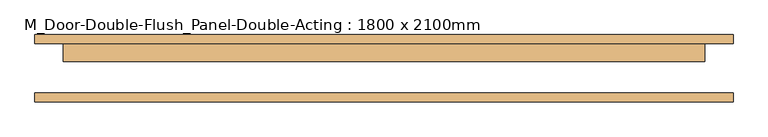
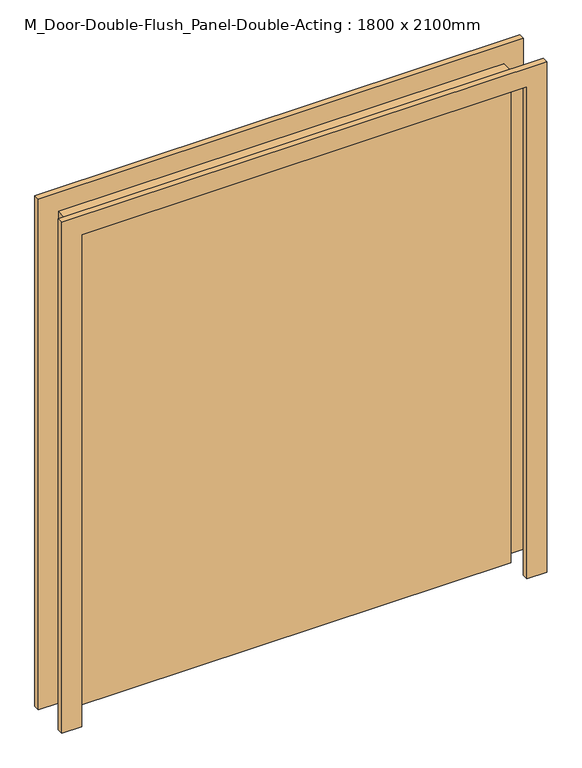
"""IFC4 building model written with IfcOpenShell, lengths in millimetres: door geometry, M_Door-Double-Flush_Panel-Double-Acting : 1800 x 2100mm."""

from ifc_helpers import new_model, si_unit, frame, origin, origin_with_axes, place, context, project, spatial, polyline, outline, extrude, source, transform, mapped, element, save


def m_door_double_flush_panel_double_acting_1800_x_2100mm_cbf0a950(model_context):
    return source(origin(), model_context, "Body", "SweptSolid", [
        extrude(outline(polyline([(2180.0, -980.0), (0.0, -980.0), (0.0, -900.0), (2100.0, -900.0), (2100.0, 900.0), (0.0, 900.0), (0.0, 980.0), (2180.0, 980.0), (2180.0, -980.0)])), frame((0.0, 69.25, 0.0), z_axis=(0.0, 1.0, 0.0), x_axis=(0.0, 0.0, 1.0)), (0.0, 0.0, 1.0), 25.0),
        extrude(outline(polyline([(2100.0, -900.0), (2100.0, 900.0), (0.0, 900.0), (0.0, 980.0), (2180.0, 980.0), (2180.0, -980.0), (0.0, -980.0), (0.0, -900.0), (2100.0, -900.0)])), frame((0.0, -94.25, 0.0), z_axis=(0.0, 1.0, 0.0), x_axis=(0.0, 0.0, 1.0)), (0.0, 0.0, 1.0), 25.0),
        extrude(outline(polyline([(-900.0, 69.25), (900.0, 69.25), (900.0, 19.25), (-900.0, 19.25), (-900.0, 69.25)])), origin_with_axes(), (0.0, 0.0, 1.0), 2100.0),
    ])


if __name__ == "__main__":
    model = new_model("IFC4")
    model_context = context("Model", 3, world=origin())
    ifc_project = project(units=[si_unit("LENGTHUNIT", "METRE", prefix="MILLI")], contexts=[model_context])
    site = spatial("IfcSite", under=ifc_project)
    building = spatial("IfcBuilding", under=site)
    placement = place(None, origin())
    m_door_double_flush_panel_double_acting_1800_x_2100mm_shape = m_door_double_flush_panel_double_acting_1800_x_2100mm_cbf0a950(model_context)
    element("IfcDoor", 1, ObjectType="M_Door-Double-Flush_Panel-Double-Acting : 1800 x 2100mm", at=placement, inside=building, context=model_context, shape_type="MappedRepresentation", body=[
        mapped(m_door_double_flush_panel_double_acting_1800_x_2100mm_shape, transform((0.0, 0.0, 0.0), x_axis=(1.0, 0.0, 0.0), y_axis=(0.0, 1.0, 0.0), z_axis=(0.0, 0.0, 1.0))),
    ])
    save(model, "model.ifc")
